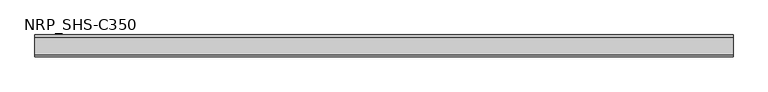
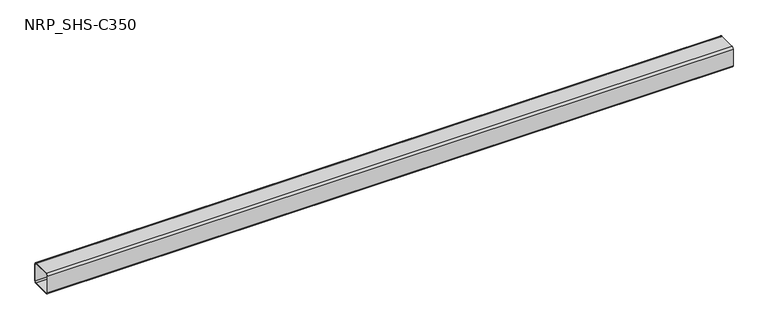
"""IFC4 building model written with IfcOpenShell, lengths in millimetres: member geometry, NRP_SHS-C350."""

from ifc_helpers import new_model, si_unit, point, frame, frame_2d, origin, place, context, project, spatial, polyline, circle_curve, trimmed, segment, composite_curve, outline, extrude, source, transform, mapped, element, save


def nrp_shs_c350_8b492485(model_context):
    return source(origin(), model_context, "Body", "SweptSolid", [
        extrude(outline(composite_curve([segment(polyline([(44.5, 35.75), (44.5, -35.75)]), True, "CONTINUOUS"), segment(trimmed(circle_curve(frame_2d((35.75, -35.75)), 8.75), [point((44.5, -35.75))], [point((35.75, -44.5))], False, "CARTESIAN"), True, "CONTINUOUS"), segment(polyline([(35.75, -44.5), (-35.75, -44.5)]), True, "CONTINUOUS"), segment(trimmed(circle_curve(frame_2d((-35.75, -35.75)), 8.75), [point((-35.75, -44.5))], [point((-44.5, -35.75))], False, "CARTESIAN"), True, "CONTINUOUS"), segment(polyline([(-44.5, -35.75), (-44.5, 35.75)]), True, "CONTINUOUS"), segment(trimmed(circle_curve(frame_2d((-35.75, 35.75)), 8.75), [point((-44.5, 35.75))], [point((-35.75, 44.5))], False, "CARTESIAN"), True, "CONTINUOUS"), segment(polyline([(-35.75, 44.5), (35.75, 44.5)]), True, "CONTINUOUS"), segment(trimmed(circle_curve(frame_2d((35.75, 35.75)), 8.75), [point((35.75, 44.5))], [point((44.5, 35.75))], False, "CARTESIAN"), True, "CONTINUOUS")], self_intersect=False), holes=[composite_curve([segment(trimmed(circle_curve(frame_2d((-35.75, 35.75)), 5.25), [point((-35.75, 41.0))], [point((-41.0, 35.75))], True, "CARTESIAN"), True, "CONTINUOUS"), segment(polyline([(-41.0, 35.75), (-41.0, -35.75)]), True, "CONTINUOUS"), segment(trimmed(circle_curve(frame_2d((-35.75, -35.75)), 5.25), [point((-41.0, -35.75))], [point((-35.75, -41.0))], True, "CARTESIAN"), True, "CONTINUOUS"), segment(polyline([(-35.75, -41.0), (35.75, -41.0)]), True, "CONTINUOUS"), segment(trimmed(circle_curve(frame_2d((35.75, -35.75)), 5.25), [point((35.75, -41.0))], [point((41.0, -35.75))], True, "CARTESIAN"), True, "CONTINUOUS"), segment(polyline([(41.0, -35.75), (41.0, 35.75)]), True, "CONTINUOUS"), segment(trimmed(circle_curve(frame_2d((35.75, 35.75)), 5.25), [point((41.0, 35.75))], [point((35.75, 41.0))], True, "CARTESIAN"), True, "CONTINUOUS"), segment(polyline([(35.75, 41.0), (-35.75, 41.0)]), True, "CONTINUOUS")], self_intersect=False)]), frame((-1385.0, 0.0, 0.0), z_axis=(1.0, 0.0, 0.0), x_axis=(0.0, 1.0, 0.0)), (0.0, 0.0, 1.0), 2832.0),
    ])


if __name__ == "__main__":
    model = new_model("IFC4")
    model_context = context("Model", 3, world=origin())
    ifc_project = project(units=[si_unit("LENGTHUNIT", "METRE", prefix="MILLI")], contexts=[model_context])
    site = spatial("IfcSite", under=ifc_project)
    building = spatial("IfcBuilding", under=site)
    placement = place(None, origin())
    nrp_shs_c350_shape = nrp_shs_c350_8b492485(model_context)
    element("IfcMember", 1, ObjectType="NRP_SHS-C350", at=placement, inside=building, context=model_context, shape_type="MappedRepresentation", body=[
        mapped(nrp_shs_c350_shape, transform((0.0, 0.0, 0.0), x_axis=(1.0, 0.0, 0.0), y_axis=(0.0, 1.0, 0.0), z_axis=(0.0, 0.0, 1.0))),
    ])
    save(model, "model.ifc")
